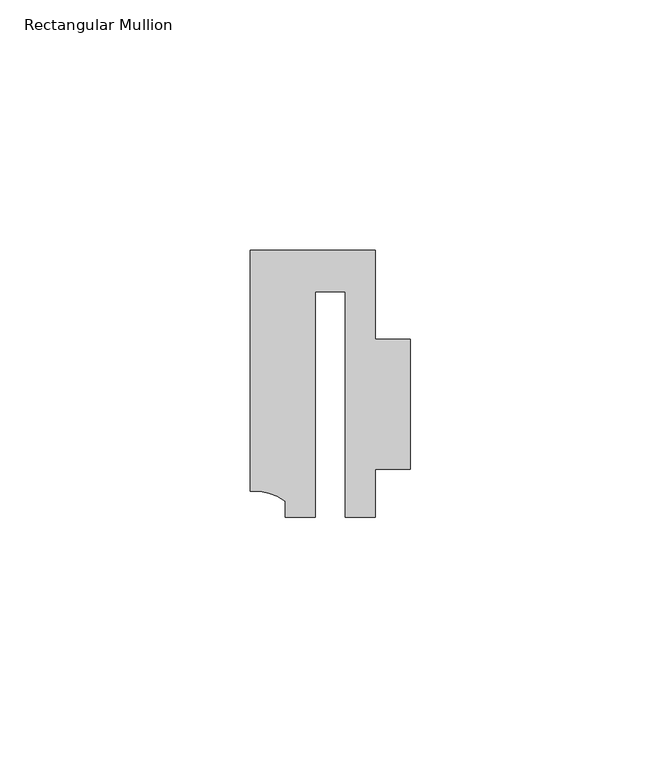
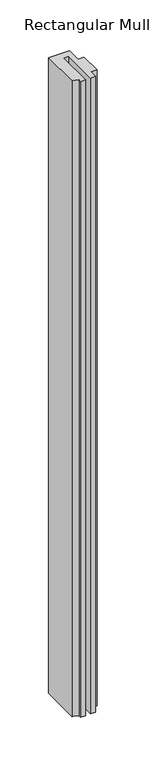
"""IFC4 building model written with IfcOpenShell, lengths in millimetres: member geometry, Rectangular Mullion."""

from ifc_helpers import new_model, si_unit, point, frame, frame_2d, origin, place, context, project, spatial, polyline, circle_curve, trimmed, segment, composite_curve, outline, extrude, source, transform, mapped, element, save


def rectangular_mullion_d7bb6ccc(model_context):
    return source(origin(), model_context, "Body", "SweptSolid", [
        extrude(outline(composite_curve([segment(polyline([(-2.9999659, 24.5130805), (-2.9999659, -20.5039877), (-9.0, -20.5039877), (-9.0, -17.3165089)]), True, "CONTINUOUS"), segment(trimmed(circle_curve(frame_2d((-15.1098019, -25.802169)), 10.4563907), [point((-9.0, -17.3165089))], [point((-15.9999391, -15.3837352))], True, "CARTESIAN"), True, "CONTINUOUS"), segment(polyline([(-15.9999391, -15.3837352), (-15.9999391, 32.7960123), (9.0, 32.7960123), (9.0, 14.9953356), (15.9999391, 14.9953356), (15.9999391, -11.0039877), (8.9999842, -11.0039877), (8.9999842, -20.5039877), (2.9999676, -20.5039877), (2.9999676, 24.5130805), (-2.9999659, 24.5130805)]), True, "CONTINUOUS")], self_intersect=False)), frame((0.0, 0.0, -796.4529049), z_axis=(0.0, 0.0, 1.0), x_axis=(1.0, 0.0, 0.0)), (0.0, 0.0, 1.0), 796.4529049),
    ])


if __name__ == "__main__":
    model = new_model("IFC4")
    model_context = context("Model", 3, world=origin())
    ifc_project = project(units=[si_unit("LENGTHUNIT", "METRE", prefix="MILLI")], contexts=[model_context])
    site = spatial("IfcSite", under=ifc_project)
    building = spatial("IfcBuilding", under=site)
    placement = place(None, origin())
    rectangular_mullion_shape = rectangular_mullion_d7bb6ccc(model_context)
    element("IfcMember", 1, ObjectType="Rectangular Mullion", at=placement, inside=building, context=model_context, shape_type="MappedRepresentation", body=[
        mapped(rectangular_mullion_shape, transform((0.0, 0.0, 0.0), x_axis=(1.0, 0.0, 0.0), y_axis=(0.0, 1.0, 0.0), z_axis=(0.0, 0.0, 1.0))),
    ])
    save(model, "model.ifc")
